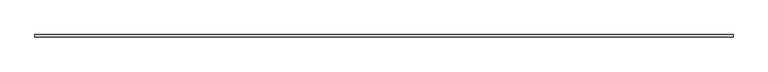
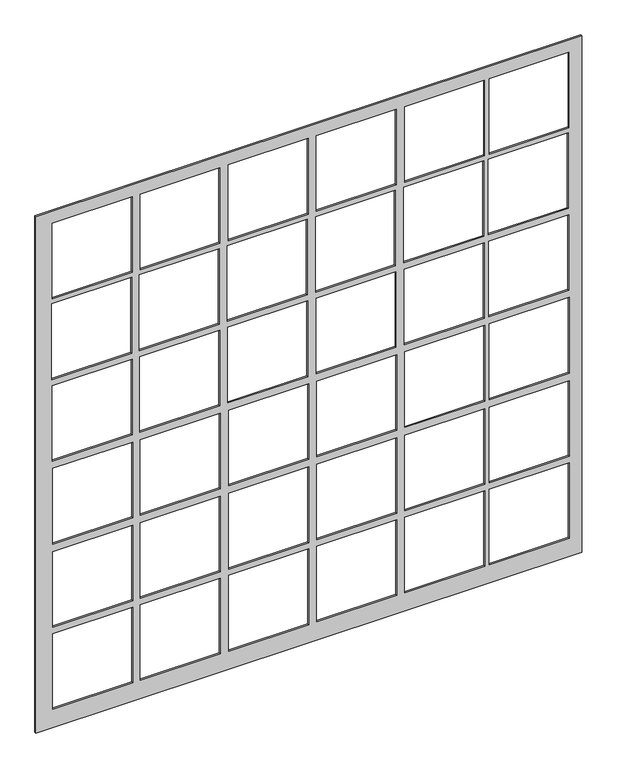
"""IFC4 building model written with IfcOpenShell, lengths in millimetres: plate geometry."""

from ifc_helpers import new_model, si_unit, frame, origin, place, context, project, spatial, polyline, outline, extrude, source, transform, mapped, element, save


def plate_b7caacef(model_context):
    return source(origin(), model_context, "Body", "SweptSolid", [
        extrude(outline(polyline([(0.0, -4099.8207196), (0.0, 4099.8207196), (8199.6874399, 4099.8207196), (8199.6874399, -4099.8207196), (0.0, -4099.8207196)]), holes=[polyline([(6809.6852732, -2650.1378909), (6809.6852732, -3850.1378909), (8009.6852732, -3850.1378909), (8009.6852732, -2650.1378909), (6809.6852732, -2650.1378909)]), polyline([(6809.6852732, -1335.8825777), (6809.6852732, -2535.8825777), (8009.6852732, -2535.8825777), (8009.6852732, -1335.8825777), (6809.6852732, -1335.8825777)]), polyline([(6809.6852732, -11.3808669), (6809.6852732, -1211.3808669), (8009.6852732, -1211.3808669), (8009.6852732, -11.3808669), (6809.6852732, -11.3808669)]), polyline([(6809.6852732, 1313.1208438), (6809.6852732, 113.1208438), (8009.6852732, 113.1208438), (8009.6852732, 1313.1208438), (6809.6852732, 1313.1208438)]), polyline([(6809.6852732, 2637.6225546), (6809.6852732, 1437.6225546), (8009.6852732, 1437.6225546), (8009.6852732, 2637.6225546), (6809.6852732, 2637.6225546)]), polyline([(6809.6852732, 3906.3557723), (6809.6852732, 2706.3557723), (8009.6852732, 2706.3557723), (8009.6852732, 3906.3557723), (6809.6852732, 3906.3557723)]), polyline([(5530.9555446, 3893.4434139), (5530.9555446, 2693.4434139), (6730.9555446, 2693.4434139), (6730.9555446, 3893.4434139), (5530.9555446, 3893.4434139)]), polyline([(5530.9555446, 2624.7101962), (5530.9555446, 1424.7101962), (6730.9555446, 1424.7101962), (6730.9555446, 2624.7101962), (5530.9555446, 2624.7101962)]), polyline([(5530.9555446, 1300.2084855), (5530.9555446, 100.2084855), (6730.9555446, 100.2084855), (6730.9555446, 1300.2084855), (5530.9555446, 1300.2084855)]), polyline([(5530.9555446, -24.2932253), (5530.9555446, -1224.2932253), (6730.9555446, -1224.2932253), (6730.9555446, -24.2932253), (5530.9555446, -24.2932253)]), polyline([(5530.9555446, -1348.794936), (5530.9555446, -2548.794936), (6730.9555446, -2548.794936), (6730.9555446, -1348.794936), (5530.9555446, -1348.794936)]), polyline([(5530.9555446, -2663.0502492), (5530.9555446, -3863.0502492), (6730.9555446, -3863.0502492), (6730.9555446, -2663.0502492), (5530.9555446, -2663.0502492)]), polyline([(4231.608505, 3901.4148681), (4231.608505, 2701.4148681), (5431.608505, 2701.4148681), (5431.608505, 3901.4148681), (4231.608505, 3901.4148681)]), polyline([(4231.608505, 2632.6816505), (4231.608505, 1432.6816505), (5431.608505, 1432.6816505), (5431.608505, 2632.6816505), (4231.608505, 2632.6816505)]), polyline([(4231.608505, 1308.1799397), (4231.608505, 108.1799397), (5431.608505, 108.1799397), (5431.608505, 1308.1799397), (4231.608505, 1308.1799397)]), polyline([(4231.608505, -16.321771), (4231.608505, -1216.321771), (5431.608505, -1216.321771), (5431.608505, -16.321771), (4231.608505, -16.321771)]), polyline([(4231.608505, -1340.8234818), (4231.608505, -2540.8234818), (5431.608505, -2540.8234818), (5431.608505, -1340.8234818), (4231.608505, -1340.8234818)]), polyline([(4231.608505, -2655.078795), (4231.608505, -3855.078795), (5431.608505, -3855.078795), (5431.608505, -2655.078795), (4231.608505, -2655.078795)]), polyline([(2911.5356844, 3912.5749041), (2911.5356844, 2712.5749041), (4111.5356844, 2712.5749041), (4111.5356844, 3912.5749041), (2911.5356844, 3912.5749041)]), polyline([(2911.5356844, 2643.8416864), (2911.5356844, 1443.8416864), (4111.5356844, 1443.8416864), (4111.5356844, 2643.8416864), (2911.5356844, 2643.8416864)]), polyline([(2911.5356844, 1319.3399756), (2911.5356844, 119.3399756), (4111.5356844, 119.3399756), (4111.5356844, 1319.3399756), (2911.5356844, 1319.3399756)]), polyline([(2911.5356844, -5.1617351), (2911.5356844, -1205.1617351), (4111.5356844, -1205.1617351), (4111.5356844, -5.1617351), (2911.5356844, -5.1617351)]), polyline([(2911.5356844, -1329.6634459), (2911.5356844, -2529.6634459), (4111.5356844, -2529.6634459), (4111.5356844, -1329.6634459), (2911.5356844, -1329.6634459)]), polyline([(2911.5356844, -2643.9187591), (2911.5356844, -3843.9187591), (4111.5356844, -3843.9187591), (4111.5356844, -2643.9187591), (2911.5356844, -2643.9187591)]), polyline([(1591.4628638, 3912.5749041), (1591.4628638, 2712.5749041), (2791.4628638, 2712.5749041), (2791.4628638, 3912.5749041), (1591.4628638, 3912.5749041)]), polyline([(1591.4628638, 2643.8416864), (1591.4628638, 1443.8416864), (2791.4628638, 1443.8416864), (2791.4628638, 2643.8416864), (1591.4628638, 2643.8416864)]), polyline([(1591.4628638, 1319.3399756), (1591.4628638, 119.3399756), (2791.4628638, 119.3399756), (2791.4628638, 1319.3399756), (1591.4628638, 1319.3399756)]), polyline([(1591.4628638, -5.1617351), (1591.4628638, -1205.1617351), (2791.4628638, -1205.1617351), (2791.4628638, -5.1617351), (1591.4628638, -5.1617351)]), polyline([(1591.4628638, -1329.6634459), (1591.4628638, -2529.6634459), (2791.4628638, -2529.6634459), (2791.4628638, -1329.6634459), (1591.4628638, -1329.6634459)]), polyline([(1591.4628638, -2643.9187591), (1591.4628638, -3843.9187591), (2791.4628638, -3843.9187591), (2791.4628638, -2643.9187591), (1591.4628638, -2643.9187591)]), polyline([(289.7243879, 3912.5749041), (289.7243879, 2712.5749041), (1489.7243879, 2712.5749041), (1489.7243879, 3912.5749041), (289.7243879, 3912.5749041)]), polyline([(289.7243879, 2643.8416864), (289.7243879, 1443.8416864), (1489.7243879, 1443.8416864), (1489.7243879, 2643.8416864), (289.7243879, 2643.8416864)]), polyline([(289.7243879, 1319.3399756), (289.7243879, 119.3399756), (1489.7243879, 119.3399756), (1489.7243879, 1319.3399756), (289.7243879, 1319.3399756)]), polyline([(289.7243879, -5.1617351), (289.7243879, -1205.1617351), (1489.7243879, -1205.1617351), (1489.7243879, -5.1617351), (289.7243879, -5.1617351)]), polyline([(289.7243879, -1329.6634459), (289.7243879, -2529.6634459), (1489.7243879, -2529.6634459), (1489.7243879, -1329.6634459), (289.7243879, -1329.6634459)]), polyline([(289.7243879, -2643.9187591), (289.7243879, -3843.9187591), (1489.7243879, -3843.9187591), (1489.7243879, -2643.9187591), (289.7243879, -2643.9187591)])]), frame((0.0, 24.5, 0.0), z_axis=(0.0, 1.0, 0.0), x_axis=(0.0, 0.0, 1.0)), (0.0, 0.0, 1.0), 25.0),
    ])


if __name__ == "__main__":
    model = new_model("IFC4")
    model_context = context("Model", 3, world=origin())
    ifc_project = project(units=[si_unit("LENGTHUNIT", "METRE", prefix="MILLI")], contexts=[model_context])
    site = spatial("IfcSite", under=ifc_project)
    building = spatial("IfcBuilding", under=site)
    placement = place(None, origin())
    plate_shape = plate_b7caacef(model_context)
    element("IfcPlate", 1, at=placement, inside=building, context=model_context, shape_type="MappedRepresentation", body=[
        mapped(plate_shape, transform((0.0, 0.0, 0.0), x_axis=(1.0, 0.0, 0.0), y_axis=(0.0, 1.0, 0.0), z_axis=(0.0, 0.0, 1.0))),
    ])
    save(model, "model.ifc")
